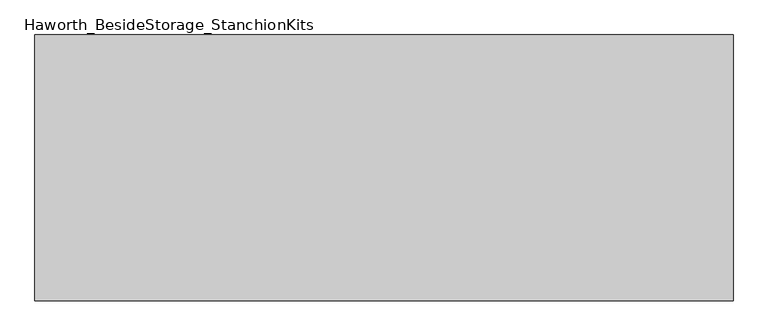
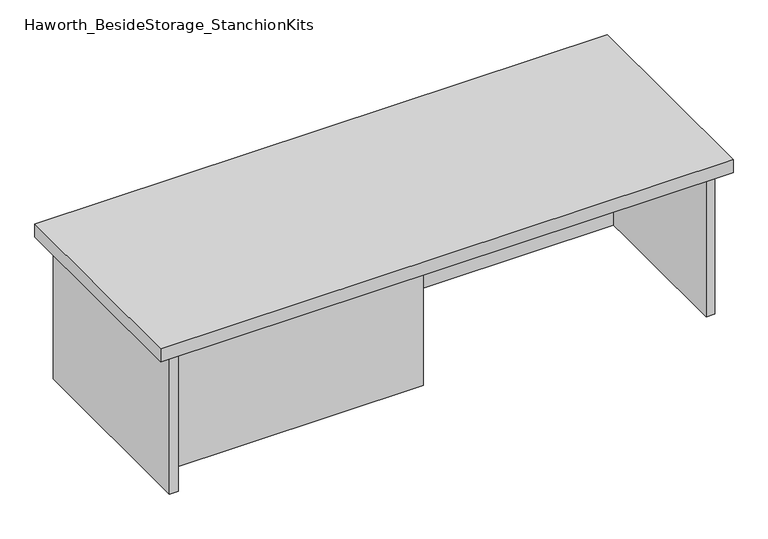
"""IFC4 building model written with IfcOpenShell, lengths in millimetres: furniture geometry, Haworth_BesideStorage_StanchionKits."""

from ifc_helpers import new_model, si_unit, frame, origin, place, context, project, spatial, polyline, outline, extrude, source, transform, mapped, element, save


def haworth_besidestorage_stanchionkits_689924d2(model_context):
    return source(origin(), model_context, "Body", "SweptSolid", [
        extrude(outline(polyline([(695.325, 0.0), (695.325, -406.4), (-371.475, -406.4), (-371.475, 0.0), (695.325, 0.0)])), frame((0.0, 0.0, 711.2), z_axis=(0.0, 0.0, 1.0), x_axis=(1.0, 0.0, 0.0)), (0.0, 0.0, 1.0), 25.4),
        extrude(outline(polyline([(161.925, -76.2), (654.05, -76.2), (654.05, -92.075), (161.925, -92.075), (161.925, -76.2)])), frame((0.0, 0.0, 431.8), z_axis=(0.0, 0.0, 1.0), x_axis=(1.0, 0.0, 0.0)), (0.0, 0.0, 1.0), 279.4),
        extrude(outline(polyline([(161.925, -314.325), (161.925, -330.2), (-330.2, -330.2), (-330.2, -314.325), (161.925, -314.325)])), frame((0.0, 0.0, 431.8), z_axis=(0.0, 0.0, 1.0), x_axis=(1.0, 0.0, 0.0)), (0.0, 0.0, 1.0), 279.4),
        extrude(outline(polyline([(669.925, -390.525), (654.05, -390.525), (654.05, -15.875), (669.925, -15.875), (669.925, -390.525)])), frame((0.0, 0.0, 431.8), z_axis=(0.0, 0.0, 1.0), x_axis=(1.0, 0.0, 0.0)), (0.0, 0.0, 1.0), 279.4),
        extrude(outline(polyline([(-330.2, -390.525), (-346.075, -390.525), (-346.075, -15.875), (-330.2, -15.875), (-330.2, -390.525)])), frame((0.0, 0.0, 431.8), z_axis=(0.0, 0.0, 1.0), x_axis=(1.0, 0.0, 0.0)), (0.0, 0.0, 1.0), 279.4),
    ])


if __name__ == "__main__":
    model = new_model("IFC4")
    model_context = context("Model", 3, world=origin())
    ifc_project = project(units=[si_unit("LENGTHUNIT", "METRE", prefix="MILLI")], contexts=[model_context])
    site = spatial("IfcSite", under=ifc_project)
    building = spatial("IfcBuilding", under=site)
    placement = place(None, origin())
    haworth_besidestorage_stanchionkits_shape = haworth_besidestorage_stanchionkits_689924d2(model_context)
    element("IfcFurniture", 1, ObjectType="Haworth_BesideStorage_StanchionKits", at=placement, inside=building, context=model_context, shape_type="MappedRepresentation", body=[
        mapped(haworth_besidestorage_stanchionkits_shape, transform((0.0, 0.0, 0.0), x_axis=(1.0, 0.0, 0.0), y_axis=(0.0, 1.0, 0.0), z_axis=(0.0, 0.0, 1.0))),
    ])
    save(model, "model.ifc")
